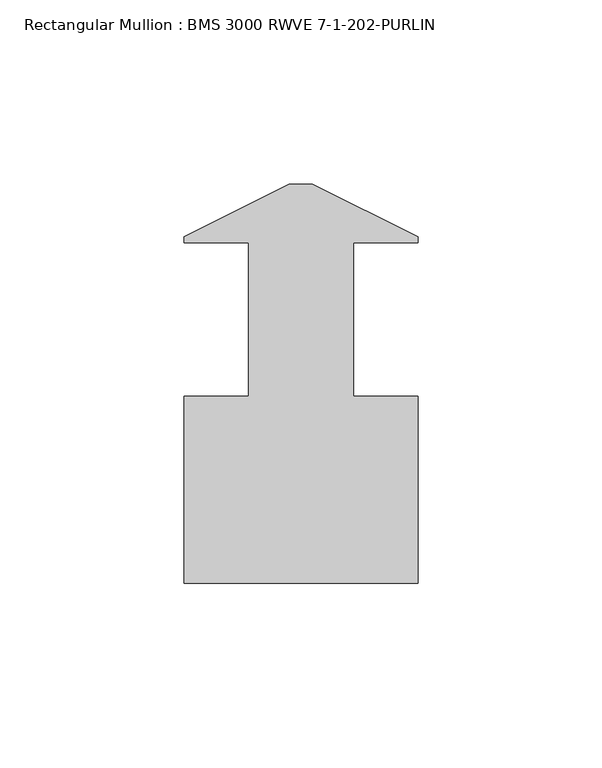
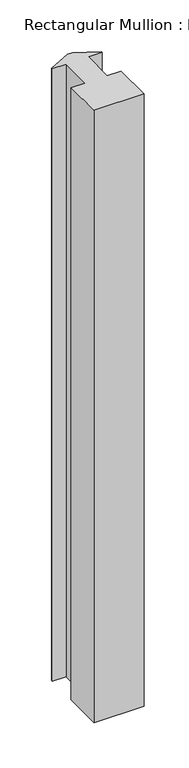
"""IFC4 building model written with IfcOpenShell, lengths in millimetres: member geometry, Rectangular Mullion : BMS 3000 RWVE 7-1-202-PURLIN."""

from ifc_helpers import new_model, si_unit, frame, origin, place, context, project, spatial, polyline, outline, extrude, source, transform, mapped, element, save


def rectangular_mullion_bms_3000_rwve_7_1_202_purlin_4cdf2cd7(model_context):
    return source(origin(), model_context, "Body", "SweptSolid", [
        extrude(outline(polyline([(-3.175, 6.1102875), (3.175, 6.1102875), (31.75, -8.1608839), (31.75, -9.7647125), (14.2748, -9.7647125), (14.2748, -51.3953125), (31.75, -51.3953125), (31.75, -102.1953125), (-31.75, -102.1953125), (-31.75, -51.3953125), (-14.2748, -51.3953125), (-14.2748, -9.7647125), (-31.75, -9.7647125), (-31.75, -8.1608839), (-3.175, 6.1102875)])), frame((0.0, 0.0, -825.5), z_axis=(0.0, 0.0, 1.0), x_axis=(1.0, 0.0, 0.0)), (0.0, 0.0, 1.0), 825.5),
    ])


if __name__ == "__main__":
    model = new_model("IFC4")
    model_context = context("Model", 3, world=origin())
    ifc_project = project(units=[si_unit("LENGTHUNIT", "METRE", prefix="MILLI")], contexts=[model_context])
    site = spatial("IfcSite", under=ifc_project)
    building = spatial("IfcBuilding", under=site)
    placement = place(None, origin())
    rectangular_mullion_bms_3000_rwve_7_1_202_purlin_shape = rectangular_mullion_bms_3000_rwve_7_1_202_purlin_4cdf2cd7(model_context)
    element("IfcMember", 1, ObjectType="Rectangular Mullion : BMS 3000 RWVE 7-1-202-PURLIN", at=placement, inside=building, context=model_context, shape_type="MappedRepresentation", body=[
        mapped(rectangular_mullion_bms_3000_rwve_7_1_202_purlin_shape, transform((0.0, 0.0, 0.0), x_axis=(1.0, 0.0, 0.0), y_axis=(0.0, 1.0, 0.0), z_axis=(0.0, 0.0, 1.0))),
    ])
    save(model, "model.ifc")
